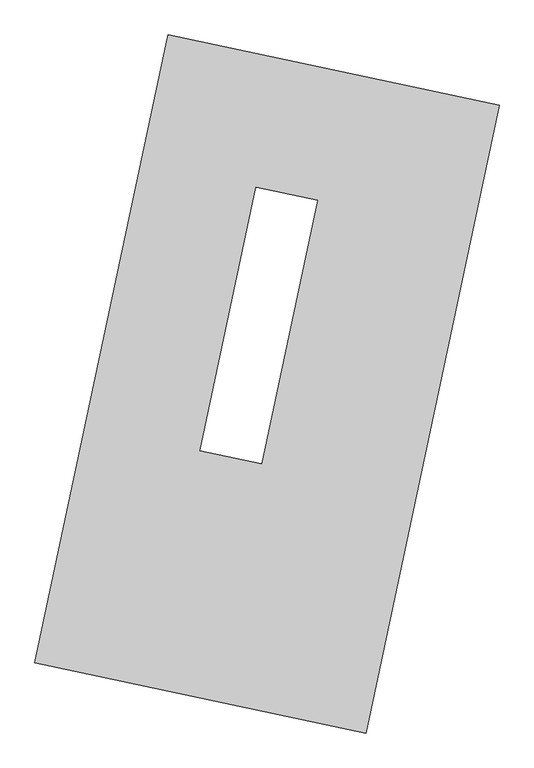
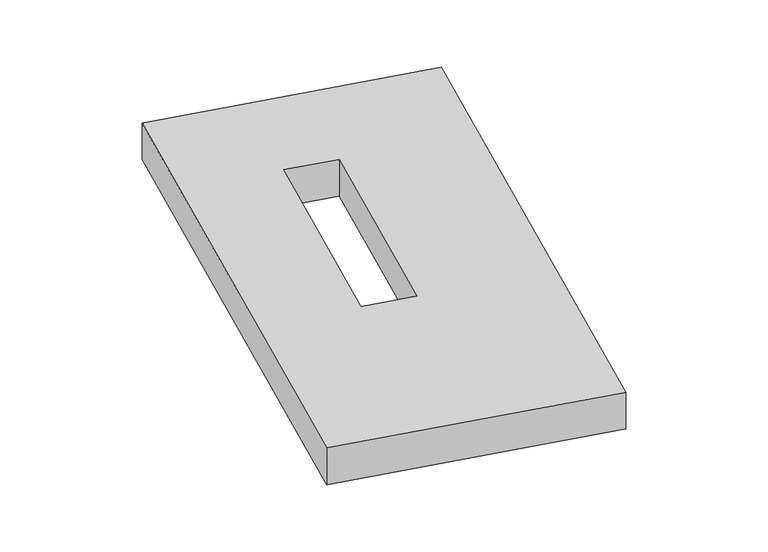
"""IFC4 building model written with IfcOpenShell, lengths in millimetres: proxy geometry."""

from ifc_helpers import new_model, si_unit, origin, origin_with_axes, place, context, project, spatial, polyline, outline, extrude, source, transform, mapped, element, save


def generic_models_078d9e29(model_context):
    return source(origin(), model_context, "Body", "SweptSolid", [
        extrude(outline(polyline([(-617.3692021, 2175.5580432), (1447.7508745, 1737.3010494), (617.3692021, -2175.5580432), (-1447.7508745, -1737.3010494), (-617.3692021, 2175.5580432)]), holes=[polyline([(315.6984514, 1146.3674714), (-67.0044984, 1227.5841746), (-415.9476244, -416.6781311), (-33.2446746, -497.8948342), (315.6984514, 1146.3674714)])]), origin_with_axes(), (0.0, 0.0, 1.0), 300.0),
    ])


if __name__ == "__main__":
    model = new_model("IFC4")
    model_context = context("Model", 3, world=origin())
    ifc_project = project(units=[si_unit("LENGTHUNIT", "METRE", prefix="MILLI")], contexts=[model_context])
    site = spatial("IfcSite", under=ifc_project)
    building = spatial("IfcBuilding", under=site)
    placement = place(None, origin())
    generic_models_shape = generic_models_078d9e29(model_context)
    element("IfcBuildingElementProxy", 1, Name="Generic Models", at=placement, inside=building, context=model_context, shape_type="MappedRepresentation", body=[
        mapped(generic_models_shape, transform((0.0, 0.0, 0.0), x_axis=(1.0, 0.0, 0.0), y_axis=(0.0, 1.0, 0.0), z_axis=(0.0, 0.0, 1.0))),
    ])
    save(model, "model.ifc")
